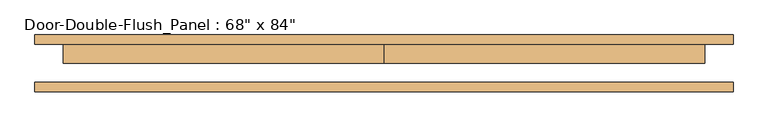
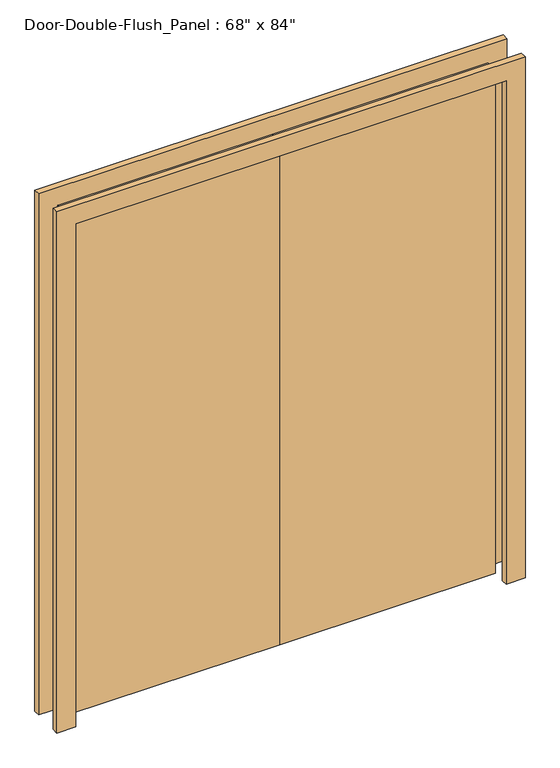
"""IFC4 building model written with IfcOpenShell, lengths in millimetres: door geometry."""

from ifc_helpers import new_model, si_unit, frame, origin, origin_with_axes, place, context, project, spatial, polyline, outline, extrude, source, transform, mapped, element, save


def door_d821b05f(model_context):
    return source(origin(), model_context, "Body", "SweptSolid", [
        extrude(outline(polyline([(2133.6, -863.6), (2133.6, 863.6), (0.0, 863.6), (0.0, 939.8), (2209.8, 939.8), (2209.8, -939.8), (0.0, -939.8), (0.0, -863.6), (2133.6, -863.6)])), frame((0.0, -76.2, 0.0), z_axis=(0.0, 1.0, 0.0), x_axis=(0.0, 0.0, 1.0)), (0.0, 0.0, 1.0), 25.4),
        extrude(outline(polyline([(2133.6, -863.6), (2133.6, 863.6), (0.0, 863.6), (0.0, 939.8), (2209.8, 939.8), (2209.8, -939.8), (0.0, -939.8), (0.0, -863.6), (2133.6, -863.6)])), frame((0.0, 50.8, 0.0), z_axis=(0.0, 1.0, 0.0), x_axis=(0.0, 0.0, 1.0)), (0.0, 0.0, 1.0), 25.4),
        extrude(outline(polyline([(0.0, 50.8), (863.6, 50.8), (863.6, 0.0), (0.0, 0.0), (0.0, 50.8)])), origin_with_axes(), (0.0, 0.0, 1.0), 2133.6),
        extrude(outline(polyline([(-863.6, 50.8), (0.0, 50.8), (0.0, 0.0), (-863.6, 0.0), (-863.6, 50.8)])), origin_with_axes(), (0.0, 0.0, 1.0), 2133.6),
    ])


if __name__ == "__main__":
    model = new_model("IFC4")
    model_context = context("Model", 3, world=origin())
    ifc_project = project(units=[si_unit("LENGTHUNIT", "METRE", prefix="MILLI")], contexts=[model_context])
    site = spatial("IfcSite", under=ifc_project)
    building = spatial("IfcBuilding", under=site)
    placement = place(None, origin())
    door_shape = door_d821b05f(model_context)
    element("IfcDoor", 1, ObjectType="Door-Double-Flush_Panel : 68\" x 84\"", at=placement, inside=building, context=model_context, shape_type="MappedRepresentation", body=[
        mapped(door_shape, transform((0.0, 0.0, 0.0), x_axis=(1.0, 0.0, 0.0), y_axis=(0.0, 1.0, 0.0), z_axis=(0.0, 0.0, 1.0))),
    ])
    save(model, "model.ifc")
